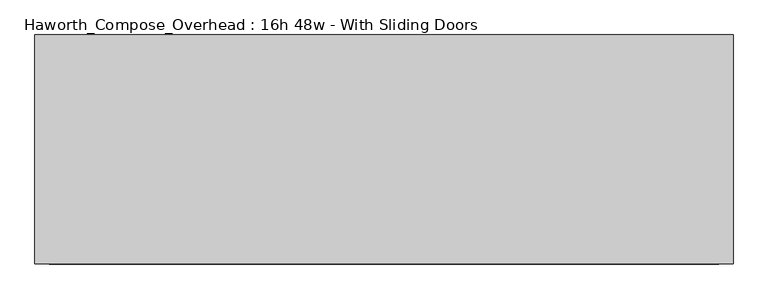
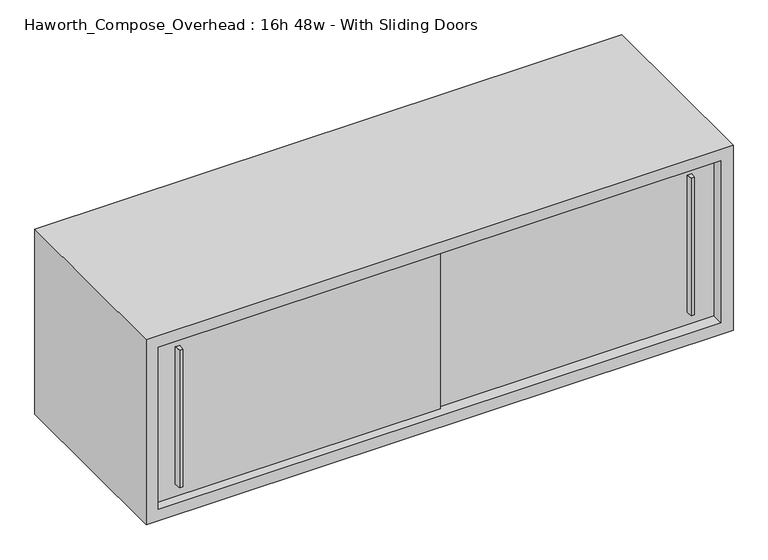
"""IFC4 building model written with IfcOpenShell, lengths in millimetres: furniture geometry, Haworth_Compose_Overhead : 16h 48w - With Sliding Doors."""

import ifcopenshell
import ifcopenshell.guid

model = None  # the IFC model being written
_history = None  # IfcOwnerHistory: only IFC2X3 demands one
_inside = {}  # id of a spatial element -> (the spatial element, [elements in it])
_under = {}  # id of a project, library or spatial element -> (it, [spatial elements below it])
_declared = {}  # id of a project -> (the project, [libraries it declares])
_typed = {}  # id of a type object -> (the type object, [elements of that type])
_made_of = {}  # id of a material, layer set ... -> (it, [elements and type objects made of it])


def new_model(schema):
    """Start an empty IFC model of exactly this schema.

    Asked for "IFC4X3", IfcOpenShell would pick the latest addendum, in which some entities
    have other attributes; the version numbers below select the first issue.
    IFC2X3 requires an IfcOwnerHistory on every rooted entity: one is made here for all.
    """
    global model, _history
    if schema == "IFC4X3":
        model = ifcopenshell.file(schema_version=(4, 3, 0, 0))
    else:
        model = ifcopenshell.file(schema=schema)
    _inside.clear()
    _under.clear()
    _declared.clear()
    _typed.clear()
    _made_of.clear()
    _history = None
    if model.schema == "IFC2X3":
        org = make("IfcOrganization", Name="unknown")
        user = make(
            "IfcPersonAndOrganization",
            ThePerson=make("IfcPerson", FamilyName="unknown"),
            TheOrganization=org,
        )
        app = make(
            "IfcApplication",
            ApplicationDeveloper=org,
            Version="unknown",
            ApplicationFullName="unknown",
            ApplicationIdentifier="unknown",
        )
        _history = make(
            "IfcOwnerHistory",
            OwningUser=user,
            OwningApplication=app,
            ChangeAction="ADDED",
            CreationDate=0,
        )
    return model


def make(cls, **values):
    """One entity of the class cls with the attributes given. An attribute that is None is left unset."""
    return model.create_entity(
        cls, **{name: value for name, value in values.items() if value is not None}
    )


def rooted(cls, **values):
    """An entity with a GlobalId (a new one), such as an element, a storey or a relation."""
    return make(cls, GlobalId=ifcopenshell.guid.new(), OwnerHistory=_history, **values)


def si_unit(unit_type, name, prefix=None):
    """IfcSIUnit, for example si_unit("LENGTHUNIT", "METRE", prefix="MILLI")."""
    return make("IfcSIUnit", UnitType=unit_type, Prefix=prefix, Name=name)


def assignment(units):
    """IfcUnitAssignment: the units of a project."""
    return None if units is None else make("IfcUnitAssignment", Units=units)


def point(xyz):
    """IfcCartesianPoint."""
    return None if xyz is None else make("IfcCartesianPoint", Coordinates=xyz)


def direction(xyz):
    """IfcDirection."""
    return None if xyz is None else make("IfcDirection", DirectionRatios=xyz)


def frame(location, z_axis=None, x_axis=None):
    """IfcAxis2Placement3D, a coordinate frame: its origin and axes. An axis left out is left unset."""
    return make(
        "IfcAxis2Placement3D",
        Location=point(location),
        Axis=direction(z_axis),
        RefDirection=direction(x_axis),
    )


def origin():
    """The frame at (0, 0, 0) with its axes left unset."""
    return frame((0.0, 0.0, 0.0))


def place(relative_to, where):
    """IfcLocalPlacement: puts the frame where relative to a parent placement (None: the world)."""
    return make(
        "IfcLocalPlacement", PlacementRelTo=relative_to, RelativePlacement=where
    )


def context(
    kind, dimensions, precision=None, world=None, true_north=None, identifier=None
):
    """IfcGeometricRepresentationContext, for example the 3D "Model" context."""
    return make(
        "IfcGeometricRepresentationContext",
        ContextIdentifier=identifier,
        ContextType=kind,
        CoordinateSpaceDimension=dimensions,
        Precision=precision,
        WorldCoordinateSystem=world,
        TrueNorth=true_north,
    )


def project(units=None, contexts=None):
    """IfcProject with its units and contexts."""
    return rooted(
        "IfcProject",
        Name="project",
        RepresentationContexts=contexts,
        UnitsInContext=assignment(units),
    )


def spatial(cls, under=None, at=None, **own):
    """A site, building, storey or space (cls), placed at a placement, below another one or the project."""
    s = rooted(cls, ObjectPlacement=at, **own)
    if under is not None:
        _under.setdefault(under.id(), (under, []))[1].append(s)
    return s


def polyline(points):
    """IfcPolyline through the points."""
    return make("IfcPolyline", Points=[point(p) for p in points])


def outline(outer, holes=None, kind="AREA"):
    """IfcArbitraryClosedProfileDef: a profile drawn as a closed curve; with holes, ...WithVoids."""
    if holes is None:
        return make("IfcArbitraryClosedProfileDef", ProfileType=kind, OuterCurve=outer)
    return make(
        "IfcArbitraryProfileDefWithVoids",
        ProfileType=kind,
        OuterCurve=outer,
        InnerCurves=holes,
    )


def extrude(swept, where, along, depth):
    """IfcExtrudedAreaSolid: the profile swept, set in the frame where, extruded along a direction by depth."""
    return make(
        "IfcExtrudedAreaSolid",
        SweptArea=swept,
        Position=where,
        ExtrudedDirection=direction(along),
        Depth=depth,
    )


def shape(context_of_items, identifier, shape_type, items):
    """IfcShapeRepresentation: the items that make up one representation, for example the "Body"."""
    return make(
        "IfcShapeRepresentation",
        ContextOfItems=context_of_items,
        RepresentationIdentifier=identifier,
        RepresentationType=shape_type,
        Items=items,
    )


def source(mapping_origin, context_of_items, identifier, shape_type, items):
    """IfcRepresentationMap: a shape defined once, which mapped items show again and again."""
    return make(
        "IfcRepresentationMap",
        MappingOrigin=mapping_origin,
        MappedRepresentation=shape(context_of_items, identifier, shape_type, items),
    )


def transform(
    local_origin,
    x_axis=None,
    y_axis=None,
    z_axis=None,
    scale=None,
    scale2=None,
    scale3=None,
    uniform=True,
):
    """IfcCartesianTransformationOperator3D, or its non-uniform kind. x_axis, y_axis, z_axis: its Axis1, 2, 3."""
    if uniform:
        return make(
            "IfcCartesianTransformationOperator3D",
            Axis1=direction(x_axis),
            Axis2=direction(y_axis),
            LocalOrigin=point(local_origin),
            Scale=scale,
            Axis3=direction(z_axis),
        )
    return make(
        "IfcCartesianTransformationOperator3DnonUniform",
        Axis1=direction(x_axis),
        Axis2=direction(y_axis),
        LocalOrigin=point(local_origin),
        Scale=scale,
        Axis3=direction(z_axis),
        Scale2=scale2,
        Scale3=scale3,
    )


def mapped(mapping_source, mapping_target):
    """IfcMappedItem: shows the shape of a source again, moved by a transform."""
    return make(
        "IfcMappedItem", MappingSource=mapping_source, MappingTarget=mapping_target
    )


def made_of(thing, what):
    """Note that an element or type object is made of a material, layer set ...; save() writes the relation."""
    if what is not None:
        _made_of.setdefault(what.id(), (what, []))[1].append(thing)
    return thing


def element(
    cls,
    number,
    at=None,
    inside=None,
    cuts=None,
    type_object=None,
    material=None,
    context=None,
    identifier="Body",
    shape_type=None,
    held_by="IfcProductDefinitionShape",
    body=None,
    shapes=None,
    **own,
):
    """One element of the class cls, such as IfcWall. Its Tag is "e" and its number.

    at: its placement. inside: the storey or other place that contains it. cuts: it is an
    opening in that element (IfcRelVoidsElement). A single representation is given by context,
    identifier, shape_type and body (its items); several are given by shapes. held_by: the class
    of the entity that holds the representations. save() writes the other relations.
    """
    e = rooted(cls, Tag="e%d" % number, ObjectPlacement=at, **own)
    if body is not None:
        shapes = [shape(context, identifier, shape_type, body)]
    if shapes is not None:
        e.Representation = make(held_by, Representations=shapes)
    if inside is not None:
        _inside.setdefault(inside.id(), (inside, []))[1].append(e)
    if cuts is not None:
        rooted(
            "IfcRelVoidsElement", RelatingBuildingElement=cuts, RelatedOpeningElement=e
        )
    if type_object is not None:
        _typed.setdefault(type_object.id(), (type_object, []))[1].append(e)
    return made_of(e, material)


def aggregate(whole, parts):
    """IfcRelAggregates: a whole, such as a stair, and the parts it consists of."""
    return rooted("IfcRelAggregates", RelatingObject=whole, RelatedObjects=parts)


def save(model, path):
    """Write the relations noted so far, then the file.

    IfcRelAggregates (storeys below a building ...), IfcRelContainedInSpatialStructure (elements
    in a storey), IfcRelDefinesByType, IfcRelAssociatesMaterial and IfcRelDeclares: one each for
    every whole, place, type object, material and project.
    """
    for whole, parts in _under.values():
        aggregate(whole, parts)
    for where, things in _inside.values():
        rooted(
            "IfcRelContainedInSpatialStructure",
            RelatedElements=things,
            RelatingStructure=where,
        )
    for kind, things in _typed.values():
        rooted("IfcRelDefinesByType", RelatedObjects=things, RelatingType=kind)
    for what, things in _made_of.values():
        rooted("IfcRelAssociatesMaterial", RelatedObjects=things, RelatingMaterial=what)
    for by, libraries in _declared.values():
        rooted("IfcRelDeclares", RelatingContext=by, RelatedDefinitions=libraries)
    model.write(path)


def haworth_compose_overhead_16h_48w_with_sliding_doors_87aaf3c0(model_context):
    return source(origin(), model_context, "Body", "SweptSolid", [
        extrude(outline(polyline([(701.6750004, -387.3499879), (695.3249996, -387.3499879), (693.7375011, -374.65), (703.2624989, -374.65), (701.6750004, -387.3499879)])), frame((0.0, 0.0, 1322.3875), z_axis=(0.0, 0.0, 1.0), x_axis=(1.0, 0.0, 0.0)), (0.0, 0.0, 1.0), 301.625),
        extrude(outline(polyline([(-365.1249996, -393.6999879), (-371.4750004, -393.6999879), (-373.0624989, -381.0), (-363.5375011, -381.0), (-365.1249996, -393.6999879)])), frame((0.0, 0.0, 1322.3875), z_axis=(0.0, 0.0, 1.0), x_axis=(1.0, 0.0, 0.0)), (0.0, 0.0, 1.0), 301.625),
        extrude(outline(polyline([(-419.1, -374.65), (177.8, -374.65), (177.8, -381.0), (-419.1, -381.0), (-419.1, -374.65)])), frame((0.0, 0.0, 1295.4), z_axis=(0.0, 0.0, 1.0), x_axis=(1.0, 0.0, 0.0)), (0.0, 0.0, 1.0), 355.6),
        extrude(outline(polyline([(152.4, -368.3), (749.3, -368.3), (749.3, -374.65), (152.4, -374.65), (152.4, -368.3)])), frame((0.0, 0.0, 1295.4), z_axis=(0.0, 0.0, 1.0), x_axis=(1.0, 0.0, 0.0)), (0.0, 0.0, 1.0), 355.6),
        extrude(outline(polyline([(749.3, -6.35), (-419.1, -6.35), (-419.1, 0.0), (749.3, 0.0), (749.3, -6.35)])), frame((0.0, 0.0, 1295.4), z_axis=(0.0, 0.0, 1.0), x_axis=(1.0, 0.0, 0.0)), (0.0, 0.0, 1.0), 355.6),
        extrude(outline(polyline([(1270.0, 774.7), (1676.4, 774.7), (1676.4, -444.5), (1270.0, -444.5), (1270.0, 774.7)]), holes=[polyline([(1651.0, 749.3), (1295.4, 749.3), (1295.4, -419.1), (1651.0, -419.1), (1651.0, 749.3)])]), frame((0.0, -400.05, 0.0), z_axis=(0.0, 1.0, 0.0), x_axis=(0.0, 0.0, 1.0)), (0.0, 0.0, 1.0), 400.05),
    ])


if __name__ == "__main__":
    model = new_model("IFC4")
    model_context = context("Model", 3, world=origin())
    ifc_project = project(units=[si_unit("LENGTHUNIT", "METRE", prefix="MILLI")], contexts=[model_context])
    site = spatial("IfcSite", under=ifc_project)
    building = spatial("IfcBuilding", under=site)
    placement = place(None, origin())
    haworth_compose_overhead_16h_48w_with_sliding_doors_shape = haworth_compose_overhead_16h_48w_with_sliding_doors_87aaf3c0(model_context)
    element("IfcFurniture", 1, ObjectType="Haworth_Compose_Overhead : 16h 48w - With Sliding Doors", at=placement, inside=building, context=model_context, shape_type="MappedRepresentation", body=[
        mapped(haworth_compose_overhead_16h_48w_with_sliding_doors_shape, transform((0.0, 0.0, 0.0), x_axis=(1.0, 0.0, 0.0), y_axis=(0.0, 1.0, 0.0), z_axis=(0.0, 0.0, 1.0))),
    ])
    save(model, "model.ifc")
